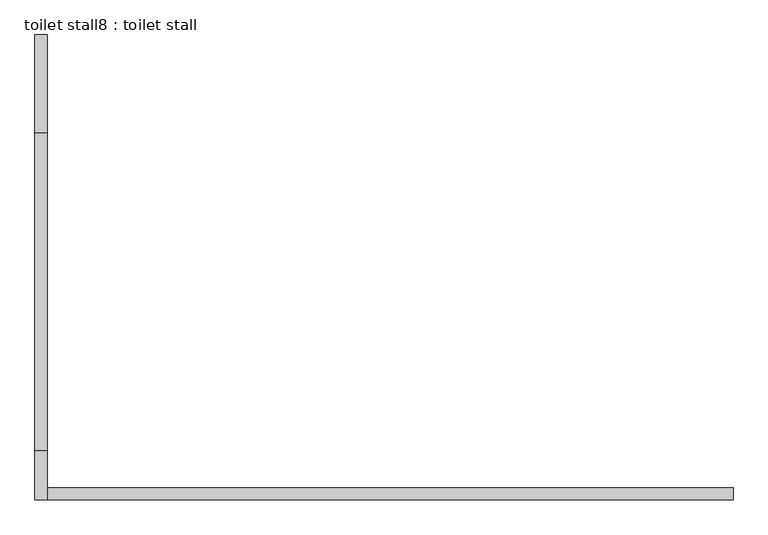
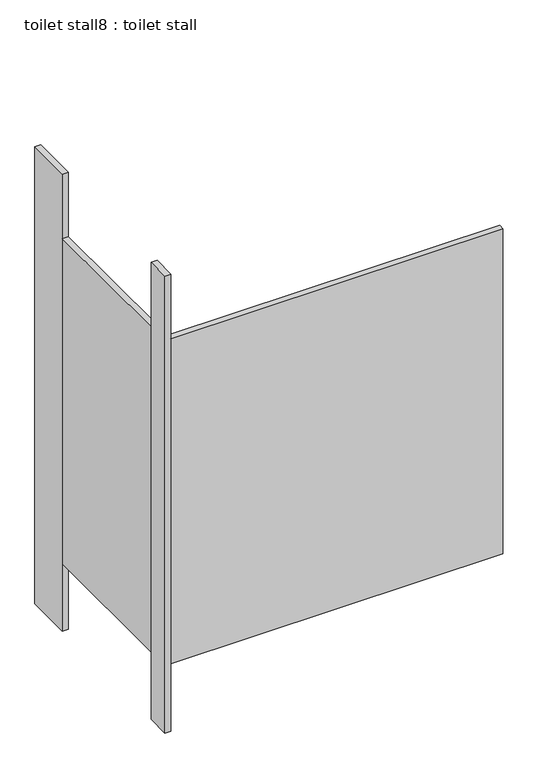
"""IFC4 building model written with IfcOpenShell, lengths in millimetres: proxy geometry, toilet stall8 : toilet stall."""

from ifc_helpers import new_model, si_unit, frame, origin, origin_with_axes, place, context, project, spatial, polyline, outline, extrude, source, transform, mapped, element, save


def toilet_stall8_toilet_stall_19b4fc2e(model_context):
    return source(origin(), model_context, "Body", "SweptSolid", [
        extrude(outline(polyline([(454658.2004676, -270353.6113632), (454632.8004676, -270353.6113632), (454632.8004676, -270150.4113632), (454658.2004676, -270150.4113632), (454658.2004676, -270353.6113632)])), origin_with_axes(), (0.0, 0.0, 1.0), 2070.1),
        extrude(outline(polyline([(454658.2004676, -271115.6113632), (454632.8004676, -271115.6113632), (454632.8004676, -271014.0113632), (454658.2004676, -271014.0113632), (454658.2004676, -271115.6113632)])), origin_with_axes(), (0.0, 0.0, 1.0), 2070.1),
        extrude(outline(polyline([(454658.2004676, -271115.6113632), (454658.2004676, -271090.2113632), (456080.6004676, -271090.2113632), (456080.6004676, -271115.6113632), (454658.2004676, -271115.6113632)])), frame((0.0, 0.0, 304.8), z_axis=(0.0, 0.0, 1.0), x_axis=(1.0, 0.0, 0.0)), (0.0, 0.0, 1.0), 1473.2),
        extrude(outline(polyline([(454658.2004676, -271014.0113632), (454632.8004676, -271014.0113632), (454632.8004676, -270353.6113632), (454658.2004676, -270353.6113632), (454658.2004676, -271014.0113632)])), frame((0.0, 0.0, 304.8), z_axis=(0.0, 0.0, 1.0), x_axis=(1.0, 0.0, 0.0)), (0.0, 0.0, 1.0), 1473.2),
    ])


if __name__ == "__main__":
    model = new_model("IFC4")
    model_context = context("Model", 3, world=origin())
    ifc_project = project(units=[si_unit("LENGTHUNIT", "METRE", prefix="MILLI")], contexts=[model_context])
    site = spatial("IfcSite", under=ifc_project)
    building = spatial("IfcBuilding", under=site)
    placement = place(None, origin())
    toilet_stall8_toilet_stall_shape = toilet_stall8_toilet_stall_19b4fc2e(model_context)
    element("IfcBuildingElementProxy", 1, Name="toilet stall8 : toilet stall", ObjectType="toilet stall8 : toilet stall", at=placement, inside=building, context=model_context, shape_type="MappedRepresentation", body=[
        mapped(toilet_stall8_toilet_stall_shape, transform((0.0, 0.0, 0.0), x_axis=(1.0, 0.0, 0.0), y_axis=(0.0, 1.0, 0.0), z_axis=(0.0, 0.0, 1.0))),
    ])
    save(model, "model.ifc")
